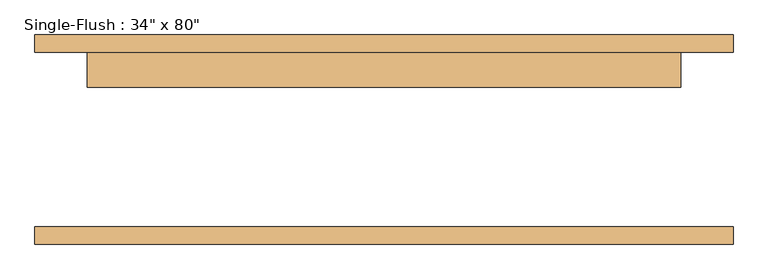
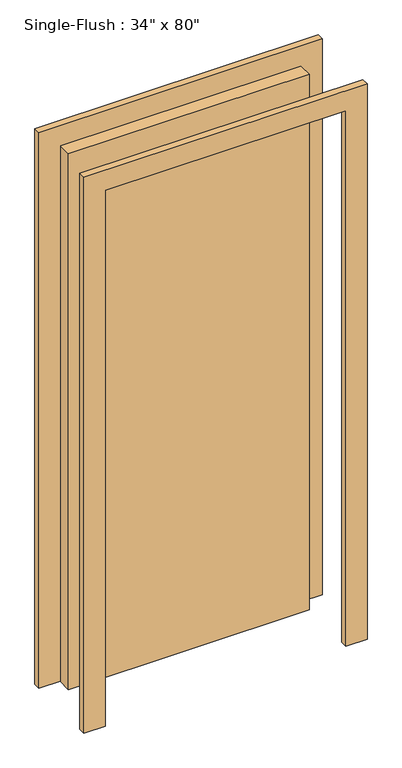
"""IFC4 building model written with IfcOpenShell, lengths in millimetres: door geometry."""

from ifc_helpers import new_model, si_unit, frame, origin, origin_with_axes, place, context, project, spatial, polyline, outline, extrude, source, transform, mapped, element, save


def door_ba235de4(model_context):
    return source(origin(), model_context, "Body", "SweptSolid", [
        extrude(outline(polyline([(2108.2, -508.0), (0.0, -508.0), (0.0, -431.8), (2032.0, -431.8), (2032.0, 431.8), (0.0, 431.8), (0.0, 508.0), (2108.2, 508.0), (2108.2, -508.0)])), frame((0.0, 127.0, 0.0), z_axis=(0.0, 1.0, 0.0), x_axis=(0.0, 0.0, 1.0)), (0.0, 0.0, 1.0), 25.4),
        extrude(outline(polyline([(2108.2, 508.0), (2108.2, -508.0), (0.0, -508.0), (0.0, -431.8), (2032.0, -431.8), (2032.0, 431.8), (0.0, 431.8), (0.0, 508.0), (2108.2, 508.0)])), frame((0.0, -152.4, 0.0), z_axis=(0.0, 1.0, 0.0), x_axis=(0.0, 0.0, 1.0)), (0.0, 0.0, 1.0), 25.4),
        extrude(outline(polyline([(431.8, 76.2), (-431.8, 76.2), (-431.8, 127.0), (431.8, 127.0), (431.8, 76.2)])), origin_with_axes(), (0.0, 0.0, 1.0), 2032.0),
    ])


if __name__ == "__main__":
    model = new_model("IFC4")
    model_context = context("Model", 3, world=origin())
    ifc_project = project(units=[si_unit("LENGTHUNIT", "METRE", prefix="MILLI")], contexts=[model_context])
    site = spatial("IfcSite", under=ifc_project)
    building = spatial("IfcBuilding", under=site)
    placement = place(None, origin())
    door_shape = door_ba235de4(model_context)
    element("IfcDoor", 1, ObjectType="Single-Flush : 34\" x 80\"", at=placement, inside=building, context=model_context, shape_type="MappedRepresentation", body=[
        mapped(door_shape, transform((0.0, 0.0, 0.0), x_axis=(1.0, 0.0, 0.0), y_axis=(0.0, 1.0, 0.0), z_axis=(0.0, 0.0, 1.0))),
    ])
    save(model, "model.ifc")
